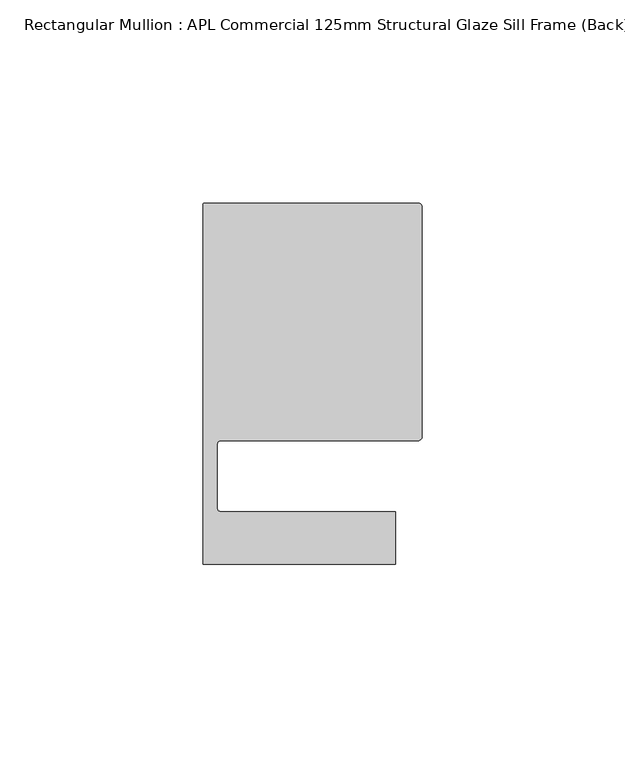
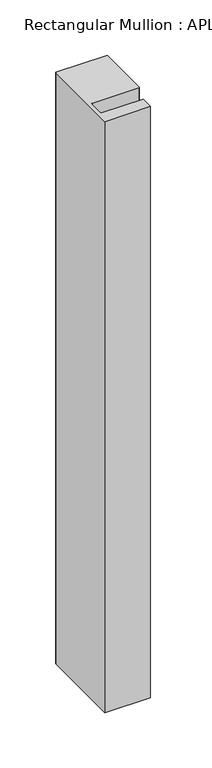
"""IFC4 building model written with IfcOpenShell, lengths in millimetres: member geometry, Rectangular Mullion : APL Commercial 125mm Structural Glaze Sill Frame (Back)."""

from ifc_helpers import new_model, si_unit, frame, origin, place, context, project, spatial, polyline, circle_curve, source, transform, mapped, element, save
from ifc_brep_helpers import plane_surface, cylinder_surface, revolved_surface, advanced_brep


def rectangular_mullion_apl_commercial_125mm_structural_glaze_ae0965d2(model_context):
    return source(origin(), model_context, "Body", "AdvancedBrep", [
        advanced_brep(
        [(-53.5000029, 104.0, 0.0), (-54.0000029, 103.5, 0.0), (-54.0000029, 15.0004332, 0.0), (-6.5000029, 15.0004332, 0.0), (-6.5000029, 28.0004332, 0.0), (-49.5000029, 28.0004332, 0.0), (-50.5000029, 29.0004332, 0.0), (-50.5000029, 44.5010268, 0.0), (-49.5000004, 45.5010268, 0.0), (-1.0, 45.5010268, 0.0), (0.0, 46.5010268, 0.0), (0.0, 103.0, 0.0), (-1.0000025, 104.0, 0.0), (-53.5000029, 104.0, -651.1972403), (-1.0000025, 104.0, -651.1972403), (-2.5e-06, 103.0, -651.1972403), (0.0, 46.5010268, -651.1972403), (-1.0, 45.5010268, -651.1972403), (-49.5000004, 45.5010268, -651.1972403), (-50.5000004, 44.5010268, -651.1972403), (-50.5000029, 29.0004332, -651.1972403), (-49.5000029, 28.0004332, -651.1972403), (-6.5000029, 28.0004332, -651.1972403), (-6.5000029, 15.0004332, -651.1972403), (-54.0000029, 15.0004332, -651.1972403), (-54.0000029, 103.5, -651.1972403)],
        [
            (0, 1, circle_curve(frame((-53.5000029, 103.5, 0.0), z_axis=(0.0, 0.0, 1.0), x_axis=(0.0, 1.0, 0.0)), 0.5)),
            (1, 2),
            (2, 3),
            (3, 4),
            (4, 5),
            (5, 6, circle_curve(frame((-49.5000029, 29.0004332, 0.0), z_axis=(0.0, 0.0, -1.0), x_axis=(0.0, -1.0, 0.0)), 1.0)),
            (6, 7),
            (7, 8, circle_curve(frame((-49.5000004, 44.5010268, 0.0), z_axis=(0.0, 0.0, -1.0), x_axis=(-0.9999999999998819, 4.863123717036027e-07, 0.0)), 1.0)),
            (8, 9),
            (9, 10, circle_curve(frame((-1.0, 46.5010268, 0.0), z_axis=(0.0, 0.0, 1.0), x_axis=(0.0, -1.0, 0.0)), 1.0)),
            (10, 11),
            (11, 12, circle_curve(frame((-1.0000025, 103.0, 0.0), z_axis=(0.0, 0.0, 1.0), x_axis=(0.9999999999996143, 8.78371761103865e-07, 0.0)), 1.0)),
            (12, 0),
            (13, 14),
            (14, 15, circle_curve(frame((-1.0000025, 103.0, -651.1972403), z_axis=(0.0, 0.0, -1.0), x_axis=(0.9999999999996143, 8.78371761103865e-07, 0.0)), 1.0)),
            (15, 16),
            (16, 17, circle_curve(frame((-1.0, 46.5010268, -651.1972403), z_axis=(0.0, 0.0, -1.0), x_axis=(0.0, -1.0, 0.0)), 1.0)),
            (17, 18),
            (18, 19, circle_curve(frame((-49.5000004, 44.5010268, -651.1972403), z_axis=(0.0, 0.0, 1.0), x_axis=(-0.9999999999998819, 4.863123717036027e-07, 0.0)), 1.0)),
            (19, 20),
            (20, 21, circle_curve(frame((-49.5000029, 29.0004332, -651.1972403), z_axis=(0.0, 0.0, 1.0), x_axis=(0.0, -1.0, 0.0)), 1.0)),
            (21, 22),
            (22, 23),
            (23, 24),
            (24, 25),
            (25, 13, circle_curve(frame((-53.5000029, 103.5, -651.1972403), z_axis=(0.0, 0.0, -1.0), x_axis=(0.0, 1.0, 0.0)), 0.5)),
            (0, 13),
            (25, 1),
            (24, 2),
            (23, 3),
            (22, 4),
            (21, 5),
            (20, 6),
            (19, 7),
            (18, 8),
            (17, 9),
            (16, 10),
            (15, 11),
            (14, 12),
        ],
        [
            plane_surface(frame((0.0, -116.986179, 0.0), z_axis=(0.0, 0.0, 1.0), x_axis=(-1.0, 0.0, 0.0))),
            plane_surface(frame((0.0, -116.986179, -651.1972403), z_axis=(0.0, 0.0, -1.0), x_axis=(-1.0, 0.0, 0.0))),
            cylinder_surface(frame((-53.5000029, 103.5, 0.0), z_axis=(0.0, 0.0, 1.0), x_axis=(0.0, 1.0, 0.0)), 0.5),
            plane_surface(frame((-54.0000029, 103.5, 0.0), z_axis=(-1.0, 0.0, 0.0), x_axis=(0.0, 0.0, -1.0))),
            plane_surface(frame((-54.0000029, 15.0004332, 0.0), z_axis=(0.0, -1.0, 0.0), x_axis=(0.0, 0.0, -1.0))),
            plane_surface(frame((-6.5000029, 15.0004332, 0.0), z_axis=(1.0, 0.0, 0.0), x_axis=(0.0, 0.0, -1.0))),
            plane_surface(frame((-6.5000029, 28.0004332, 0.0), z_axis=(0.0, 1.0, 0.0), x_axis=(0.0, 0.0, -1.0))),
            revolved_surface(polyline([(-49.5000029, 28.0004332, -651.1972403), (-49.5000029, 28.0004332, 0.0)]), (-49.5000029, 29.0004332, 0.0), (0.0, 0.0, -1.0)),
            plane_surface(frame((-50.5000029, 29.0004332, 0.0), z_axis=(1.0, 0.0, 0.0), x_axis=(0.0, 0.0, -1.0))),
            revolved_surface(polyline([(-50.50000039999988, 44.50102728631237, -651.1972403000002), (-50.50000039999988, 44.50102728631237, 0.0)]), (-49.5000004, 44.5010268, 0.0), (0.0, 0.0, -1.0000000000000002)),
            plane_surface(frame((-49.5000004, 45.5010268, 0.0), z_axis=(0.0, -1.0, 0.0), x_axis=(0.0, 0.0, -1.0))),
            cylinder_surface(frame((-1.0, 46.5010268, 0.0), z_axis=(0.0, 0.0, 1.0), x_axis=(0.0, -1.0, 0.0)), 1.0),
            plane_surface(frame((0.0, 46.5010268, 0.0), z_axis=(1.0, 0.0, 0.0), x_axis=(0.0, 0.0, -1.0))),
            cylinder_surface(frame((-1.0000025, 103.0, 0.0), z_axis=(0.0, 0.0, 1.0000000000000002), x_axis=(0.9999999999996143, 8.78371761103865e-07, 0.0)), 1.0),
            plane_surface(frame((-1.0000025, 104.0, 0.0), z_axis=(0.0, 1.0, 0.0), x_axis=(0.0, 0.0, -1.0))),
        ],
        [
            (0, [[1, 2, 3, 4, 5, 6, 7, 8, 9, 10, 11, 12, 13]]),
            (1, [[14, 15, 16, 17, 18, 19, 20, 21, 22, 23, 24, 25, 26]]),
            (2, [[-1, 27, -26, 28]]),
            (3, [[-2, -28, -25, 29]]),
            (4, [[-3, -29, -24, 30]]),
            (5, [[-4, -30, -23, 31]]),
            (6, [[-5, -31, -22, 32]]),
            (7, [[-6, -32, -21, 33]]),
            (8, [[-7, -33, -20, 34]]),
            (9, [[-8, -34, -19, 35]]),
            (10, [[-9, -35, -18, 36]]),
            (11, [[-10, -36, -17, 37]]),
            (12, [[-11, -37, -16, 38]]),
            (13, [[-12, -38, -15, 39]]),
            (14, [[-13, -39, -14, -27]]),
        ],
    ),
    ])


if __name__ == "__main__":
    model = new_model("IFC4")
    model_context = context("Model", 3, world=origin())
    ifc_project = project(units=[si_unit("LENGTHUNIT", "METRE", prefix="MILLI")], contexts=[model_context])
    site = spatial("IfcSite", under=ifc_project)
    building = spatial("IfcBuilding", under=site)
    placement = place(None, origin())
    rectangular_mullion_apl_commercial_125mm_structural_glaze_shape = rectangular_mullion_apl_commercial_125mm_structural_glaze_ae0965d2(model_context)
    element("IfcMember", 1, ObjectType="Rectangular Mullion : APL Commercial 125mm Structural Glaze Sill Frame (Back)", at=placement, inside=building, context=model_context, shape_type="MappedRepresentation", body=[
        mapped(rectangular_mullion_apl_commercial_125mm_structural_glaze_shape, transform((0.0, 0.0, 0.0), x_axis=(1.0, 0.0, 0.0), y_axis=(0.0, 1.0, 0.0), z_axis=(0.0, 0.0, 1.0))),
    ])
    save(model, "model.ifc")
